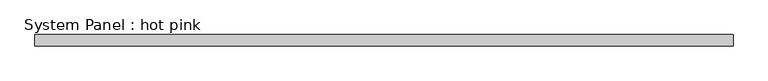
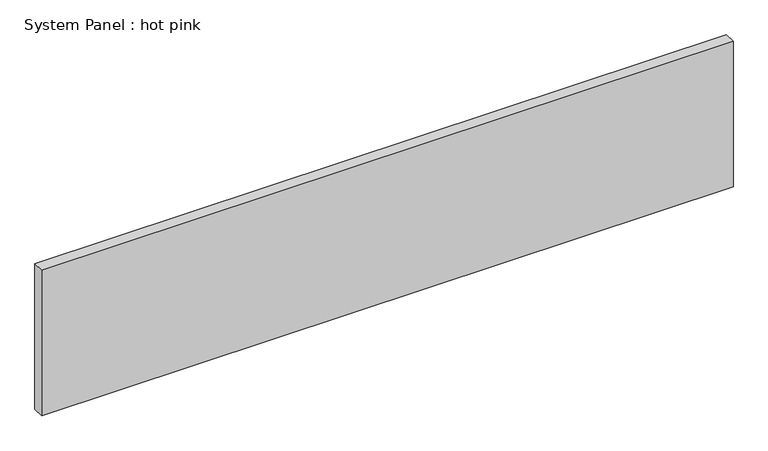
"""IFC4 building model written with IfcOpenShell, lengths in millimetres: plate geometry, System Panel : hot pink."""

from ifc_helpers import new_model, si_unit, origin, origin_with_axes, place, context, project, spatial, polyline, outline, extrude, source, transform, mapped, element, save


def system_panel_hot_pink_dcf7762a(model_context):
    return source(origin(), model_context, "Body", "SweptSolid", [
        extrude(outline(polyline([(1916.956462, -19.05), (-1916.956462, -19.05), (-1916.956462, 44.45), (1916.956462, 44.45), (1916.956462, -19.05)])), origin_with_axes(), (0.0, 0.0, 1.0), 850.9),
    ])


if __name__ == "__main__":
    model = new_model("IFC4")
    model_context = context("Model", 3, world=origin())
    ifc_project = project(units=[si_unit("LENGTHUNIT", "METRE", prefix="MILLI")], contexts=[model_context])
    site = spatial("IfcSite", under=ifc_project)
    building = spatial("IfcBuilding", under=site)
    placement = place(None, origin())
    system_panel_hot_pink_shape = system_panel_hot_pink_dcf7762a(model_context)
    element("IfcPlate", 1, ObjectType="System Panel : hot pink", at=placement, inside=building, context=model_context, shape_type="MappedRepresentation", body=[
        mapped(system_panel_hot_pink_shape, transform((0.0, 0.0, 0.0), x_axis=(1.0, 0.0, 0.0), y_axis=(0.0, 1.0, 0.0), z_axis=(0.0, 0.0, 1.0))),
    ])
    save(model, "model.ifc")
